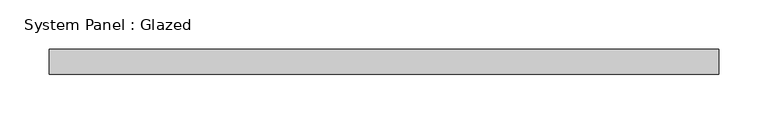
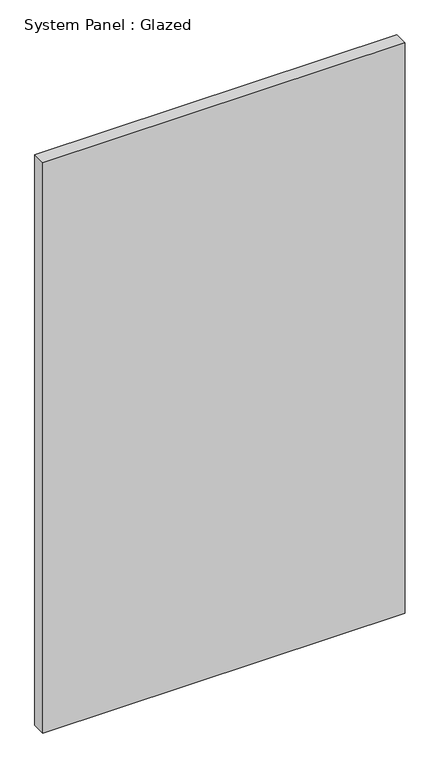
"""IFC4 building model written with IfcOpenShell, lengths in millimetres: plate geometry, System Panel : Glazed."""

from ifc_helpers import new_model, si_unit, origin, origin_with_axes, place, context, project, spatial, polyline, outline, extrude, source, transform, mapped, element, save


def system_panel_glazed_2b838cb3(model_context):
    return source(origin(), model_context, "Body", "SweptSolid", [
        extrude(outline(polyline([(339.725, 0.0), (-339.725, 0.0), (-339.725, 25.4), (339.725, 25.4), (339.725, 0.0)])), origin_with_axes(), (0.0, 0.0, 1.0), 1130.3),
    ])


if __name__ == "__main__":
    model = new_model("IFC4")
    model_context = context("Model", 3, world=origin())
    ifc_project = project(units=[si_unit("LENGTHUNIT", "METRE", prefix="MILLI")], contexts=[model_context])
    site = spatial("IfcSite", under=ifc_project)
    building = spatial("IfcBuilding", under=site)
    placement = place(None, origin())
    system_panel_glazed_shape = system_panel_glazed_2b838cb3(model_context)
    element("IfcPlate", 1, ObjectType="System Panel : Glazed", at=placement, inside=building, context=model_context, shape_type="MappedRepresentation", body=[
        mapped(system_panel_glazed_shape, transform((0.0, 0.0, 0.0), x_axis=(1.0, 0.0, 0.0), y_axis=(0.0, 1.0, 0.0), z_axis=(0.0, 0.0, 1.0))),
    ])
    save(model, "model.ifc")
